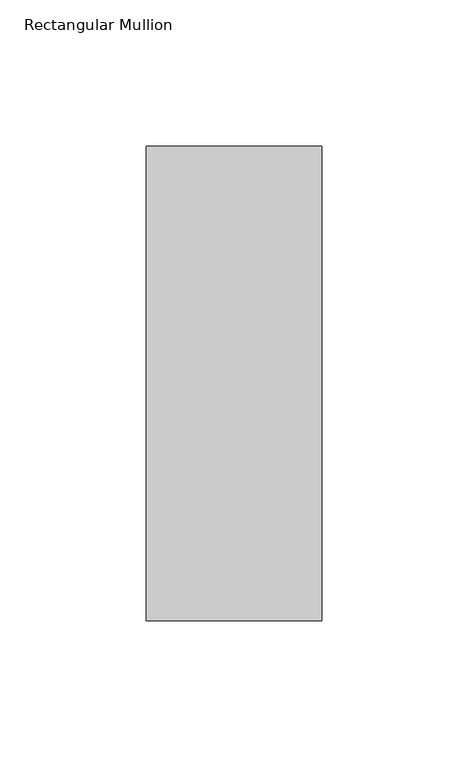
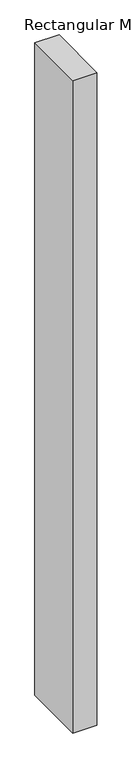
"""IFC4 building model written with IfcOpenShell, lengths in millimetres: member geometry, Rectangular Mullion."""

import ifcopenshell
import ifcopenshell.guid

model = None  # the IFC model being written
_history = None  # IfcOwnerHistory: only IFC2X3 demands one
_inside = {}  # id of a spatial element -> (the spatial element, [elements in it])
_under = {}  # id of a project, library or spatial element -> (it, [spatial elements below it])
_declared = {}  # id of a project -> (the project, [libraries it declares])
_typed = {}  # id of a type object -> (the type object, [elements of that type])
_made_of = {}  # id of a material, layer set ... -> (it, [elements and type objects made of it])


def new_model(schema):
    """Start an empty IFC model of exactly this schema.

    Asked for "IFC4X3", IfcOpenShell would pick the latest addendum, in which some entities
    have other attributes; the version numbers below select the first issue.
    IFC2X3 requires an IfcOwnerHistory on every rooted entity: one is made here for all.
    """
    global model, _history
    if schema == "IFC4X3":
        model = ifcopenshell.file(schema_version=(4, 3, 0, 0))
    else:
        model = ifcopenshell.file(schema=schema)
    _inside.clear()
    _under.clear()
    _declared.clear()
    _typed.clear()
    _made_of.clear()
    _history = None
    if model.schema == "IFC2X3":
        org = make("IfcOrganization", Name="unknown")
        user = make(
            "IfcPersonAndOrganization",
            ThePerson=make("IfcPerson", FamilyName="unknown"),
            TheOrganization=org,
        )
        app = make(
            "IfcApplication",
            ApplicationDeveloper=org,
            Version="unknown",
            ApplicationFullName="unknown",
            ApplicationIdentifier="unknown",
        )
        _history = make(
            "IfcOwnerHistory",
            OwningUser=user,
            OwningApplication=app,
            ChangeAction="ADDED",
            CreationDate=0,
        )
    return model


def make(cls, **values):
    """One entity of the class cls with the attributes given. An attribute that is None is left unset."""
    return model.create_entity(
        cls, **{name: value for name, value in values.items() if value is not None}
    )


def rooted(cls, **values):
    """An entity with a GlobalId (a new one), such as an element, a storey or a relation."""
    return make(cls, GlobalId=ifcopenshell.guid.new(), OwnerHistory=_history, **values)


def si_unit(unit_type, name, prefix=None):
    """IfcSIUnit, for example si_unit("LENGTHUNIT", "METRE", prefix="MILLI")."""
    return make("IfcSIUnit", UnitType=unit_type, Prefix=prefix, Name=name)


def assignment(units):
    """IfcUnitAssignment: the units of a project."""
    return None if units is None else make("IfcUnitAssignment", Units=units)


def point(xyz):
    """IfcCartesianPoint."""
    return None if xyz is None else make("IfcCartesianPoint", Coordinates=xyz)


def direction(xyz):
    """IfcDirection."""
    return None if xyz is None else make("IfcDirection", DirectionRatios=xyz)


def frame(location, z_axis=None, x_axis=None):
    """IfcAxis2Placement3D, a coordinate frame: its origin and axes. An axis left out is left unset."""
    return make(
        "IfcAxis2Placement3D",
        Location=point(location),
        Axis=direction(z_axis),
        RefDirection=direction(x_axis),
    )


def origin():
    """The frame at (0, 0, 0) with its axes left unset."""
    return frame((0.0, 0.0, 0.0))


def place(relative_to, where):
    """IfcLocalPlacement: puts the frame where relative to a parent placement (None: the world)."""
    return make(
        "IfcLocalPlacement", PlacementRelTo=relative_to, RelativePlacement=where
    )


def context(
    kind, dimensions, precision=None, world=None, true_north=None, identifier=None
):
    """IfcGeometricRepresentationContext, for example the 3D "Model" context."""
    return make(
        "IfcGeometricRepresentationContext",
        ContextIdentifier=identifier,
        ContextType=kind,
        CoordinateSpaceDimension=dimensions,
        Precision=precision,
        WorldCoordinateSystem=world,
        TrueNorth=true_north,
    )


def project(units=None, contexts=None):
    """IfcProject with its units and contexts."""
    return rooted(
        "IfcProject",
        Name="project",
        RepresentationContexts=contexts,
        UnitsInContext=assignment(units),
    )


def spatial(cls, under=None, at=None, **own):
    """A site, building, storey or space (cls), placed at a placement, below another one or the project."""
    s = rooted(cls, ObjectPlacement=at, **own)
    if under is not None:
        _under.setdefault(under.id(), (under, []))[1].append(s)
    return s


def polyline(points):
    """IfcPolyline through the points."""
    return make("IfcPolyline", Points=[point(p) for p in points])


def outline(outer, holes=None, kind="AREA"):
    """IfcArbitraryClosedProfileDef: a profile drawn as a closed curve; with holes, ...WithVoids."""
    if holes is None:
        return make("IfcArbitraryClosedProfileDef", ProfileType=kind, OuterCurve=outer)
    return make(
        "IfcArbitraryProfileDefWithVoids",
        ProfileType=kind,
        OuterCurve=outer,
        InnerCurves=holes,
    )


def extrude(swept, where, along, depth):
    """IfcExtrudedAreaSolid: the profile swept, set in the frame where, extruded along a direction by depth."""
    return make(
        "IfcExtrudedAreaSolid",
        SweptArea=swept,
        Position=where,
        ExtrudedDirection=direction(along),
        Depth=depth,
    )


def shape(context_of_items, identifier, shape_type, items):
    """IfcShapeRepresentation: the items that make up one representation, for example the "Body"."""
    return make(
        "IfcShapeRepresentation",
        ContextOfItems=context_of_items,
        RepresentationIdentifier=identifier,
        RepresentationType=shape_type,
        Items=items,
    )


def source(mapping_origin, context_of_items, identifier, shape_type, items):
    """IfcRepresentationMap: a shape defined once, which mapped items show again and again."""
    return make(
        "IfcRepresentationMap",
        MappingOrigin=mapping_origin,
        MappedRepresentation=shape(context_of_items, identifier, shape_type, items),
    )


def transform(
    local_origin,
    x_axis=None,
    y_axis=None,
    z_axis=None,
    scale=None,
    scale2=None,
    scale3=None,
    uniform=True,
):
    """IfcCartesianTransformationOperator3D, or its non-uniform kind. x_axis, y_axis, z_axis: its Axis1, 2, 3."""
    if uniform:
        return make(
            "IfcCartesianTransformationOperator3D",
            Axis1=direction(x_axis),
            Axis2=direction(y_axis),
            LocalOrigin=point(local_origin),
            Scale=scale,
            Axis3=direction(z_axis),
        )
    return make(
        "IfcCartesianTransformationOperator3DnonUniform",
        Axis1=direction(x_axis),
        Axis2=direction(y_axis),
        LocalOrigin=point(local_origin),
        Scale=scale,
        Axis3=direction(z_axis),
        Scale2=scale2,
        Scale3=scale3,
    )


def mapped(mapping_source, mapping_target):
    """IfcMappedItem: shows the shape of a source again, moved by a transform."""
    return make(
        "IfcMappedItem", MappingSource=mapping_source, MappingTarget=mapping_target
    )


def made_of(thing, what):
    """Note that an element or type object is made of a material, layer set ...; save() writes the relation."""
    if what is not None:
        _made_of.setdefault(what.id(), (what, []))[1].append(thing)
    return thing


def element(
    cls,
    number,
    at=None,
    inside=None,
    cuts=None,
    type_object=None,
    material=None,
    context=None,
    identifier="Body",
    shape_type=None,
    held_by="IfcProductDefinitionShape",
    body=None,
    shapes=None,
    **own,
):
    """One element of the class cls, such as IfcWall. Its Tag is "e" and its number.

    at: its placement. inside: the storey or other place that contains it. cuts: it is an
    opening in that element (IfcRelVoidsElement). A single representation is given by context,
    identifier, shape_type and body (its items); several are given by shapes. held_by: the class
    of the entity that holds the representations. save() writes the other relations.
    """
    e = rooted(cls, Tag="e%d" % number, ObjectPlacement=at, **own)
    if body is not None:
        shapes = [shape(context, identifier, shape_type, body)]
    if shapes is not None:
        e.Representation = make(held_by, Representations=shapes)
    if inside is not None:
        _inside.setdefault(inside.id(), (inside, []))[1].append(e)
    if cuts is not None:
        rooted(
            "IfcRelVoidsElement", RelatingBuildingElement=cuts, RelatedOpeningElement=e
        )
    if type_object is not None:
        _typed.setdefault(type_object.id(), (type_object, []))[1].append(e)
    return made_of(e, material)


def aggregate(whole, parts):
    """IfcRelAggregates: a whole, such as a stair, and the parts it consists of."""
    return rooted("IfcRelAggregates", RelatingObject=whole, RelatedObjects=parts)


def save(model, path):
    """Write the relations noted so far, then the file.

    IfcRelAggregates (storeys below a building ...), IfcRelContainedInSpatialStructure (elements
    in a storey), IfcRelDefinesByType, IfcRelAssociatesMaterial and IfcRelDeclares: one each for
    every whole, place, type object, material and project.
    """
    for whole, parts in _under.values():
        aggregate(whole, parts)
    for where, things in _inside.values():
        rooted(
            "IfcRelContainedInSpatialStructure",
            RelatedElements=things,
            RelatingStructure=where,
        )
    for kind, things in _typed.values():
        rooted("IfcRelDefinesByType", RelatedObjects=things, RelatingType=kind)
    for what, things in _made_of.values():
        rooted("IfcRelAssociatesMaterial", RelatedObjects=things, RelatingMaterial=what)
    for by, libraries in _declared.values():
        rooted("IfcRelDeclares", RelatingContext=by, RelatedDefinitions=libraries)
    model.write(path)


def rectangular_mullion_385ac619(model_context):
    return source(origin(), model_context, "Body", "SweptSolid", [
        extrude(outline(polyline([(30.0, 126.73125), (30.0, -35.73125), (-30.0, -35.73125), (-30.0, 126.73125), (30.0, 126.73125)])), frame((0.0, 0.0, -1708.8912252), z_axis=(0.0, 0.0, 1.0), x_axis=(1.0, 0.0, 0.0)), (0.0, 0.0, 1.0), 1708.8912252),
    ])


if __name__ == "__main__":
    model = new_model("IFC4")
    model_context = context("Model", 3, world=origin())
    ifc_project = project(units=[si_unit("LENGTHUNIT", "METRE", prefix="MILLI")], contexts=[model_context])
    site = spatial("IfcSite", under=ifc_project)
    building = spatial("IfcBuilding", under=site)
    placement = place(None, origin())
    rectangular_mullion_shape = rectangular_mullion_385ac619(model_context)
    element("IfcMember", 1, ObjectType="Rectangular Mullion", at=placement, inside=building, context=model_context, shape_type="MappedRepresentation", body=[
        mapped(rectangular_mullion_shape, transform((0.0, 0.0, 0.0), x_axis=(1.0, 0.0, 0.0), y_axis=(0.0, 1.0, 0.0), z_axis=(0.0, 0.0, 1.0))),
    ])
    save(model, "model.ifc")
